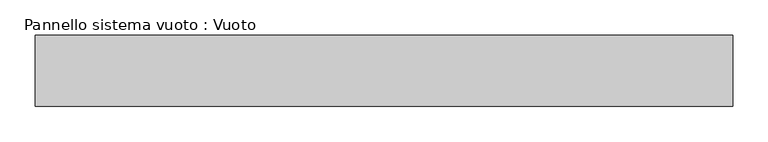
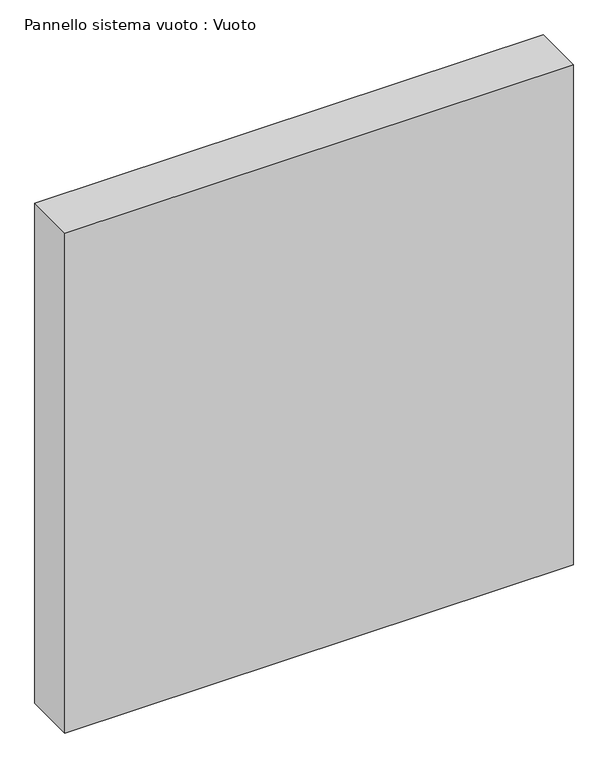
"""IFC4 building model written with IfcOpenShell, lengths in millimetres: plate geometry, Pannello sistema vuoto : Vuoto."""

from ifc_helpers import new_model, si_unit, origin, origin_with_axes, place, context, project, spatial, polyline, outline, extrude, source, transform, mapped, element, save


def pannello_sistema_vuoto_vuoto_4c1fc4ff(model_context):
    return source(origin(), model_context, "Body", "SweptSolid", [
        extrude(outline(polyline([(492.5, -50.0), (-492.5, -50.0), (-492.5, 50.0), (492.5, 50.0), (492.5, -50.0)])), origin_with_axes(), (0.0, 0.0, 1.0), 1023.3333333),
    ])


if __name__ == "__main__":
    model = new_model("IFC4")
    model_context = context("Model", 3, world=origin())
    ifc_project = project(units=[si_unit("LENGTHUNIT", "METRE", prefix="MILLI")], contexts=[model_context])
    site = spatial("IfcSite", under=ifc_project)
    building = spatial("IfcBuilding", under=site)
    placement = place(None, origin())
    pannello_sistema_vuoto_vuoto_shape = pannello_sistema_vuoto_vuoto_4c1fc4ff(model_context)
    element("IfcPlate", 1, ObjectType="Pannello sistema vuoto : Vuoto", at=placement, inside=building, context=model_context, shape_type="MappedRepresentation", body=[
        mapped(pannello_sistema_vuoto_vuoto_shape, transform((0.0, 0.0, 0.0), x_axis=(1.0, 0.0, 0.0), y_axis=(0.0, 1.0, 0.0), z_axis=(0.0, 0.0, 1.0))),
    ])
    save(model, "model.ifc")
